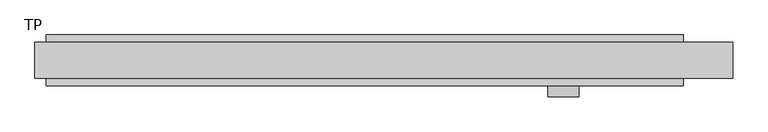
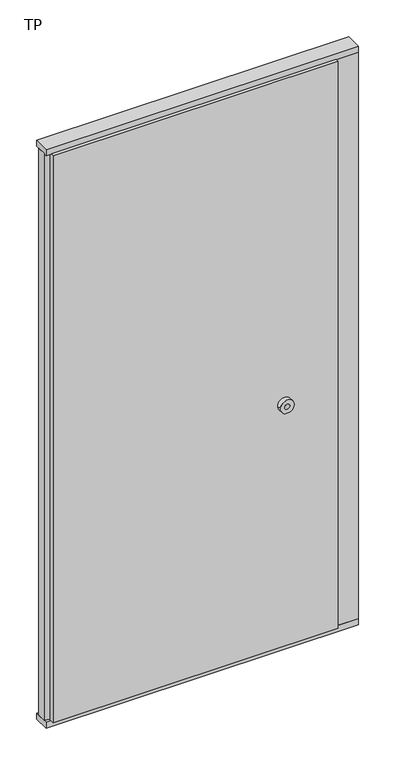
"""IFC4 building model written with IfcOpenShell, lengths in millimetres: plate geometry, TP."""

from ifc_helpers import new_model, si_unit, point, frame, frame_2d, origin, origin_with_axes, place, context, project, spatial, polyline, circle_curve, trimmed, segment, composite_curve, outline, extrude, source, transform, mapped, element, save


def tp_a1b9b99e(model_context):
    return source(origin(), model_context, "Body", "SweptSolid", [
        extrude(outline(polyline([(532.0507813, 45.0), (532.0507813, 30.5), (620.0, 30.5), (620.0, -30.5), (532.0507813, -30.5), (532.0507813, -45.0), (-600.0, -45.0), (-600.0, -22.9993165), (-620.0, -17.6401049), (-620.0, 17.6401049), (-600.0, 22.9993165), (-600.0, 45.0), (532.0507813, 45.0)])), frame((0.0, 0.0, 25.0), z_axis=(0.0, 0.0, 1.0), x_axis=(1.0, 0.0, 0.0)), (0.0, 0.0, 1.0), 2377.0),
        extrude(outline(polyline([(-620.0, -32.0), (-620.0, 32.0), (620.0, 32.0), (620.0, -32.0), (-620.0, -32.0)])), origin_with_axes(), (0.0, 0.0, 1.0), 25.0),
        extrude(outline(polyline([(-620.0, -32.0), (-620.0, 32.0), (620.0, 32.0), (620.0, -32.0), (-620.0, -32.0)])), frame((0.0, 0.0, 2402.0), z_axis=(0.0, 0.0, 1.0), x_axis=(1.0, 0.0, 0.0)), (0.0, 0.0, 1.0), 25.0),
        extrude(outline(composite_curve([segment(trimmed(circle_curve(frame_2d((1040.0, 318.9738813)), 27.5), [point((1040.0, 346.4738813))], [point((1040.0, 291.4738813))], False, "CARTESIAN"), True, "CONTINUOUS"), segment(trimmed(circle_curve(frame_2d((1040.0, 318.9738813)), 27.5), [point((1040.0, 291.4738813))], [point((1040.0, 346.4738813))], False, "CARTESIAN"), True, "CONTINUOUS")], self_intersect=False), holes=[composite_curve([segment(trimmed(circle_curve(frame_2d((1040.0, 318.9738813)), 10.0), [point((1040.0, 328.9738813))], [point((1040.0, 308.9738813))], True, "CARTESIAN"), True, "CONTINUOUS"), segment(trimmed(circle_curve(frame_2d((1040.0, 318.9738813)), 10.0), [point((1040.0, 308.9738813))], [point((1040.0, 328.9738813))], True, "CARTESIAN"), True, "CONTINUOUS")], self_intersect=False)]), frame((0.0, -65.0, 0.0), z_axis=(0.0, 1.0, 0.0), x_axis=(0.0, 0.0, 1.0)), (0.0, 0.0, 1.0), 20.0),
    ])


if __name__ == "__main__":
    model = new_model("IFC4")
    model_context = context("Model", 3, world=origin())
    ifc_project = project(units=[si_unit("LENGTHUNIT", "METRE", prefix="MILLI")], contexts=[model_context])
    site = spatial("IfcSite", under=ifc_project)
    building = spatial("IfcBuilding", under=site)
    placement = place(None, origin())
    tp_shape = tp_a1b9b99e(model_context)
    element("IfcPlate", 1, ObjectType="TP", at=placement, inside=building, context=model_context, shape_type="MappedRepresentation", body=[
        mapped(tp_shape, transform((0.0, 0.0, 0.0), x_axis=(1.0, 0.0, 0.0), y_axis=(0.0, 1.0, 0.0), z_axis=(0.0, 0.0, 1.0))),
    ])
    save(model, "model.ifc")
